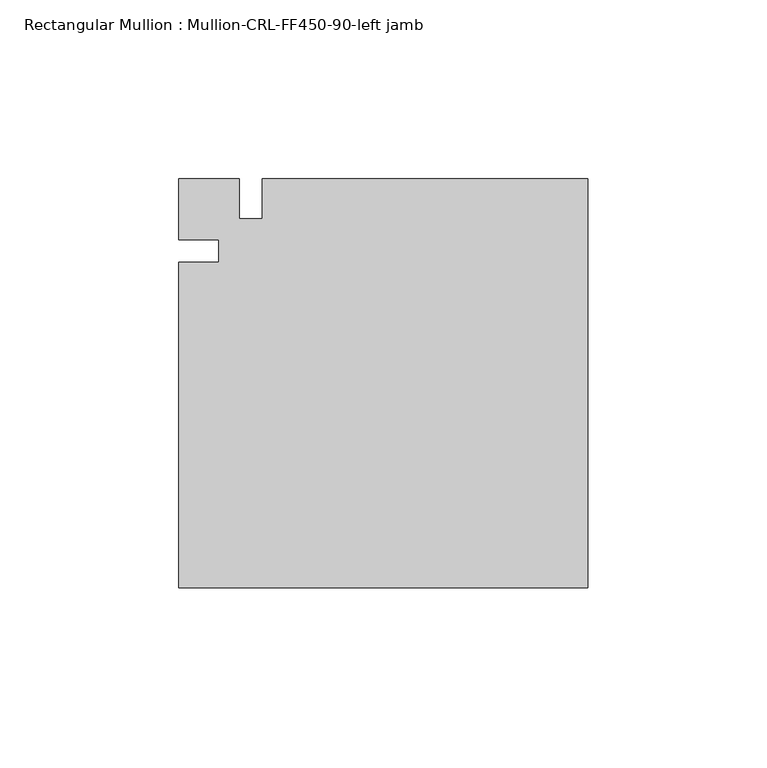
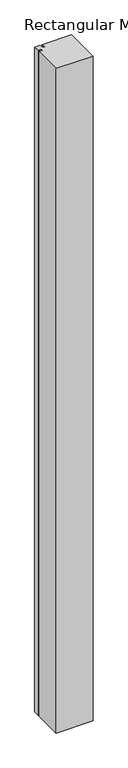
"""IFC4 building model written with IfcOpenShell, lengths in millimetres: member geometry, Rectangular Mullion : Mullion-CRL-FF450-90-left jamb."""

from ifc_helpers import new_model, si_unit, frame, origin, place, context, project, spatial, polyline, outline, extrude, source, transform, mapped, element, save


def rectangular_mullion_mullion_crl_ff450_90_left_jamb_a59c28aa(model_context):
    return source(origin(), model_context, "Body", "SweptSolid", [
        extrude(outline(polyline([(-114.3, -94.139185), (-114.3, -3.1555912), (-103.1875103, -3.1555912), (-103.1875103, 3.1944088), (-114.3, 3.1944088), (-114.3, 20.160815), (-97.3545868, 20.160815), (-97.3545868, 9.0483253), (-90.9955, 9.0483253), (-90.9955, 20.160815), (0.0, 20.160815), (0.0, -94.139185), (-114.3, -94.139185)])), frame((0.0, 0.0, -2174.875), z_axis=(0.0, 0.0, 1.0), x_axis=(1.0, 0.0, 0.0)), (0.0, 0.0, 1.0), 2174.875),
    ])


if __name__ == "__main__":
    model = new_model("IFC4")
    model_context = context("Model", 3, world=origin())
    ifc_project = project(units=[si_unit("LENGTHUNIT", "METRE", prefix="MILLI")], contexts=[model_context])
    site = spatial("IfcSite", under=ifc_project)
    building = spatial("IfcBuilding", under=site)
    placement = place(None, origin())
    rectangular_mullion_mullion_crl_ff450_90_left_jamb_shape = rectangular_mullion_mullion_crl_ff450_90_left_jamb_a59c28aa(model_context)
    element("IfcMember", 1, ObjectType="Rectangular Mullion : Mullion-CRL-FF450-90-left jamb", at=placement, inside=building, context=model_context, shape_type="MappedRepresentation", body=[
        mapped(rectangular_mullion_mullion_crl_ff450_90_left_jamb_shape, transform((0.0, 0.0, 0.0), x_axis=(1.0, 0.0, 0.0), y_axis=(0.0, 1.0, 0.0), z_axis=(0.0, 0.0, 1.0))),
    ])
    save(model, "model.ifc")
